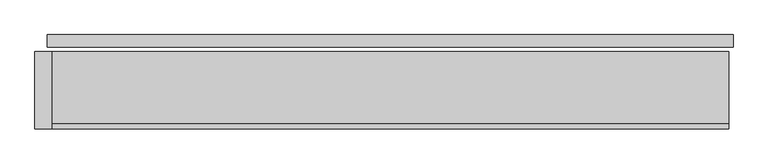
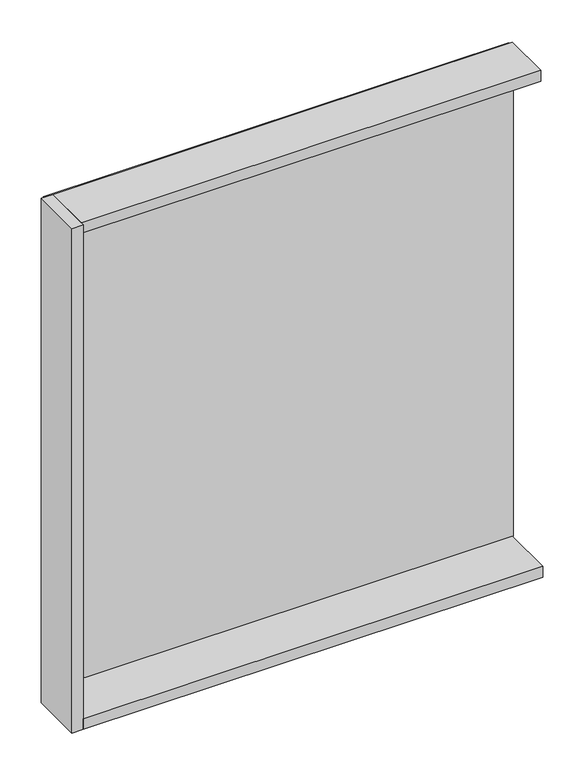
"""IFC4 building model written with IfcOpenShell, lengths in millimetres: plate geometry."""

from ifc_helpers import new_model, si_unit, frame, origin, origin_with_axes, place, context, project, spatial, polyline, outline, extrude, source, transform, mapped, element, save


def plate_13fa6a13(model_context):
    return source(origin(), model_context, "Body", "SweptSolid", [
        extrude(outline(polyline([(1235.0, 0.0), (1235.0, -44.0), (-1235.0, -44.0), (-1235.0, 0.0), (1235.0, 0.0)])), origin_with_axes(), (0.0, 0.0, 1.0), 2742.0),
        extrude(outline(polyline([(-1220.0, -60.0), (-1220.0, -340.0), (-1280.0, -340.0), (-1280.0, -60.0), (-1220.0, -60.0)])), frame((0.0, 0.0, -45.0), z_axis=(0.0, 0.0, 1.0), x_axis=(1.0, 0.0, 0.0)), (0.0, 0.0, 1.0), 2832.0),
        extrude(outline(polyline([(1220.0, -340.0), (-1220.0, -340.0), (-1220.0, -60.0), (1220.0, -60.0), (1220.0, -340.0)])), frame((0.0, 0.0, -45.0), z_axis=(0.0, 0.0, 1.0), x_axis=(1.0, 0.0, 0.0)), (0.0, 0.0, 1.0), 60.0),
        extrude(outline(polyline([(1220.0, -60.0), (1220.0, -320.0), (-1220.0, -320.0), (-1220.0, -60.0), (1220.0, -60.0)])), frame((0.0, 0.0, 2727.0), z_axis=(0.0, 0.0, 1.0), x_axis=(1.0, 0.0, 0.0)), (0.0, 0.0, 1.0), 60.0),
    ])


if __name__ == "__main__":
    model = new_model("IFC4")
    model_context = context("Model", 3, world=origin())
    ifc_project = project(units=[si_unit("LENGTHUNIT", "METRE", prefix="MILLI")], contexts=[model_context])
    site = spatial("IfcSite", under=ifc_project)
    building = spatial("IfcBuilding", under=site)
    placement = place(None, origin())
    plate_shape = plate_13fa6a13(model_context)
    element("IfcPlate", 1, at=placement, inside=building, context=model_context, shape_type="MappedRepresentation", body=[
        mapped(plate_shape, transform((0.0, 0.0, 0.0), x_axis=(1.0, 0.0, 0.0), y_axis=(0.0, 1.0, 0.0), z_axis=(0.0, 0.0, 1.0))),
    ])
    save(model, "model.ifc")
